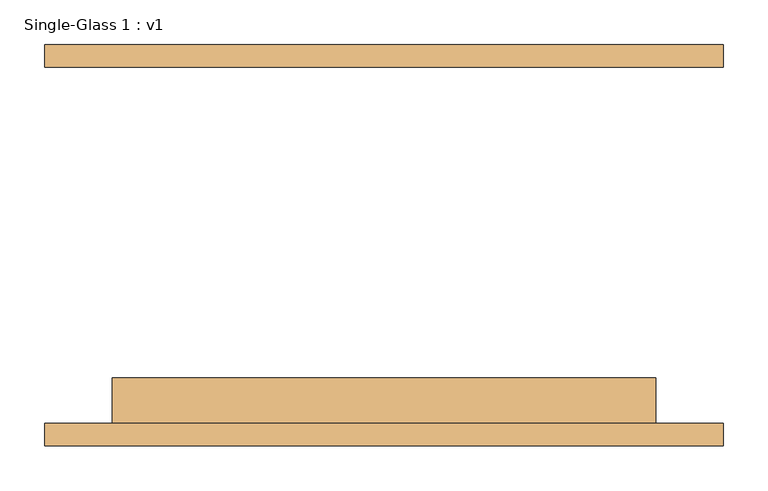
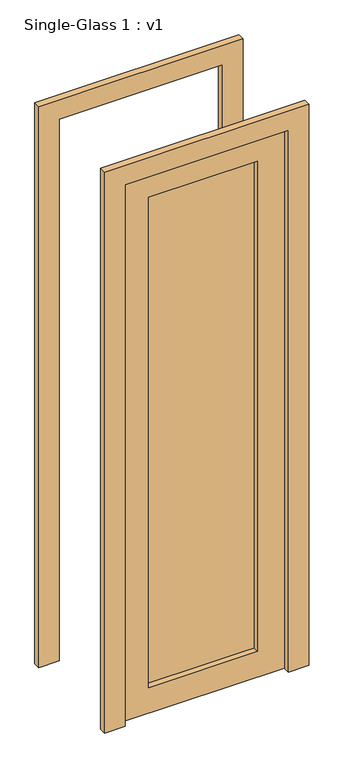
"""IFC4 building model written with IfcOpenShell, lengths in millimetres: door geometry, Single-Glass 1 : v1."""

from ifc_helpers import new_model, si_unit, frame, origin, place, context, project, spatial, polyline, outline, extrude, source, transform, mapped, element, save


def single_glass_1_v1_a41e28bc(model_context):
    return source(origin(), model_context, "Body", "SweptSolid", [
        extrude(outline(polyline([(2133.6, 304.8), (0.0, 304.8), (0.0, 381.0), (2209.8, 381.0), (2209.8, -381.0), (0.0, -381.0), (0.0, -304.8), (2133.6, -304.8), (2133.6, 304.8)])), frame((0.0, 200.0, 0.0), z_axis=(0.0, 1.0, 0.0), x_axis=(0.0, 0.0, 1.0)), (0.0, 0.0, 1.0), 25.4),
        extrude(outline(polyline([(2133.6, 304.8), (0.0, 304.8), (0.0, 381.0), (2209.8, 381.0), (2209.8, -381.0), (0.0, -381.0), (0.0, -304.8), (2133.6, -304.8), (2133.6, 304.8)])), frame((0.0, -225.4, 0.0), z_axis=(0.0, 1.0, 0.0), x_axis=(0.0, 0.0, 1.0)), (0.0, 0.0, 1.0), 25.4),
        extrude(outline(polyline([(203.2, -171.425), (203.2, -177.775), (-203.2, -177.775), (-203.2, -171.425), (203.2, -171.425)])), frame((0.0, 0.0, 101.6), z_axis=(0.0, 0.0, 1.0), x_axis=(1.0, 0.0, 0.0)), (0.0, 0.0, 1.0), 1930.4),
        extrude(outline(polyline([(2133.6, 304.8), (2133.6, -304.8), (0.0, -304.8), (0.0, 304.8), (2133.6, 304.8)]), holes=[polyline([(2032.0, -203.2), (2032.0, 203.2), (101.6, 203.2), (101.6, -203.2), (2032.0, -203.2)])]), frame((0.0, -200.0, 0.0), z_axis=(0.0, 1.0, 0.0), x_axis=(0.0, 0.0, 1.0)), (0.0, 0.0, 1.0), 50.8),
    ])


if __name__ == "__main__":
    model = new_model("IFC4")
    model_context = context("Model", 3, world=origin())
    ifc_project = project(units=[si_unit("LENGTHUNIT", "METRE", prefix="MILLI")], contexts=[model_context])
    site = spatial("IfcSite", under=ifc_project)
    building = spatial("IfcBuilding", under=site)
    placement = place(None, origin())
    single_glass_1_v1_shape = single_glass_1_v1_a41e28bc(model_context)
    element("IfcDoor", 1, ObjectType="Single-Glass 1 : v1", at=placement, inside=building, context=model_context, shape_type="MappedRepresentation", body=[
        mapped(single_glass_1_v1_shape, transform((0.0, 0.0, 0.0), x_axis=(1.0, 0.0, 0.0), y_axis=(0.0, 1.0, 0.0), z_axis=(0.0, 0.0, 1.0))),
    ])
    save(model, "model.ifc")
